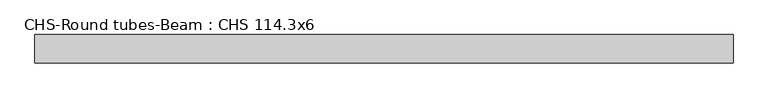
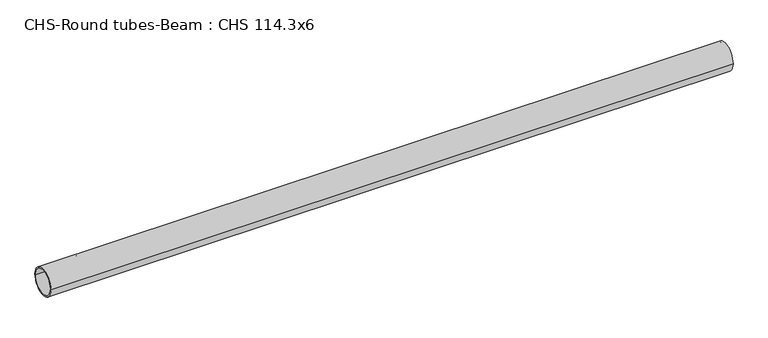
"""IFC4 building model written with IfcOpenShell, lengths in millimetres: beam geometry, CHS-Round tubes-Beam : CHS 114.3x6."""

import ifcopenshell
import ifcopenshell.guid

model = None  # the IFC model being written
_history = None  # IfcOwnerHistory: only IFC2X3 demands one
_inside = {}  # id of a spatial element -> (the spatial element, [elements in it])
_under = {}  # id of a project, library or spatial element -> (it, [spatial elements below it])
_declared = {}  # id of a project -> (the project, [libraries it declares])
_typed = {}  # id of a type object -> (the type object, [elements of that type])
_made_of = {}  # id of a material, layer set ... -> (it, [elements and type objects made of it])


def new_model(schema):
    """Start an empty IFC model of exactly this schema.

    Asked for "IFC4X3", IfcOpenShell would pick the latest addendum, in which some entities
    have other attributes; the version numbers below select the first issue.
    IFC2X3 requires an IfcOwnerHistory on every rooted entity: one is made here for all.
    """
    global model, _history
    if schema == "IFC4X3":
        model = ifcopenshell.file(schema_version=(4, 3, 0, 0))
    else:
        model = ifcopenshell.file(schema=schema)
    _inside.clear()
    _under.clear()
    _declared.clear()
    _typed.clear()
    _made_of.clear()
    _history = None
    if model.schema == "IFC2X3":
        org = make("IfcOrganization", Name="unknown")
        user = make(
            "IfcPersonAndOrganization",
            ThePerson=make("IfcPerson", FamilyName="unknown"),
            TheOrganization=org,
        )
        app = make(
            "IfcApplication",
            ApplicationDeveloper=org,
            Version="unknown",
            ApplicationFullName="unknown",
            ApplicationIdentifier="unknown",
        )
        _history = make(
            "IfcOwnerHistory",
            OwningUser=user,
            OwningApplication=app,
            ChangeAction="ADDED",
            CreationDate=0,
        )
    return model


def make(cls, **values):
    """One entity of the class cls with the attributes given. An attribute that is None is left unset."""
    return model.create_entity(
        cls, **{name: value for name, value in values.items() if value is not None}
    )


def rooted(cls, **values):
    """An entity with a GlobalId (a new one), such as an element, a storey or a relation."""
    return make(cls, GlobalId=ifcopenshell.guid.new(), OwnerHistory=_history, **values)


def si_unit(unit_type, name, prefix=None):
    """IfcSIUnit, for example si_unit("LENGTHUNIT", "METRE", prefix="MILLI")."""
    return make("IfcSIUnit", UnitType=unit_type, Prefix=prefix, Name=name)


def assignment(units):
    """IfcUnitAssignment: the units of a project."""
    return None if units is None else make("IfcUnitAssignment", Units=units)


def point(xyz):
    """IfcCartesianPoint."""
    return None if xyz is None else make("IfcCartesianPoint", Coordinates=xyz)


def direction(xyz):
    """IfcDirection."""
    return None if xyz is None else make("IfcDirection", DirectionRatios=xyz)


def frame(location, z_axis=None, x_axis=None):
    """IfcAxis2Placement3D, a coordinate frame: its origin and axes. An axis left out is left unset."""
    return make(
        "IfcAxis2Placement3D",
        Location=point(location),
        Axis=direction(z_axis),
        RefDirection=direction(x_axis),
    )


def frame_2d(location, x_axis=None):
    """IfcAxis2Placement2D, a coordinate frame in the plane: its origin and x axis."""
    return make(
        "IfcAxis2Placement2D", Location=point(location), RefDirection=direction(x_axis)
    )


def origin():
    """The frame at (0, 0, 0) with its axes left unset."""
    return frame((0.0, 0.0, 0.0))


def origin_2d():
    """The frame at (0, 0) in the plane with its x axis left unset."""
    return frame_2d((0.0, 0.0))


def place(relative_to, where):
    """IfcLocalPlacement: puts the frame where relative to a parent placement (None: the world)."""
    return make(
        "IfcLocalPlacement", PlacementRelTo=relative_to, RelativePlacement=where
    )


def context(
    kind, dimensions, precision=None, world=None, true_north=None, identifier=None
):
    """IfcGeometricRepresentationContext, for example the 3D "Model" context."""
    return make(
        "IfcGeometricRepresentationContext",
        ContextIdentifier=identifier,
        ContextType=kind,
        CoordinateSpaceDimension=dimensions,
        Precision=precision,
        WorldCoordinateSystem=world,
        TrueNorth=true_north,
    )


def project(units=None, contexts=None):
    """IfcProject with its units and contexts."""
    return rooted(
        "IfcProject",
        Name="project",
        RepresentationContexts=contexts,
        UnitsInContext=assignment(units),
    )


def spatial(cls, under=None, at=None, **own):
    """A site, building, storey or space (cls), placed at a placement, below another one or the project."""
    s = rooted(cls, ObjectPlacement=at, **own)
    if under is not None:
        _under.setdefault(under.id(), (under, []))[1].append(s)
    return s


def circle_curve(where, radius):
    """IfcCircle in the frame where."""
    return make("IfcCircle", Position=where, Radius=radius)


def trimmed(basis, trim1, trim2, sense, master):
    """IfcTrimmedCurve: the piece of a basis curve between two trims."""
    return make(
        "IfcTrimmedCurve",
        BasisCurve=basis,
        Trim1=trim1,
        Trim2=trim2,
        SenseAgreement=sense,
        MasterRepresentation=master,
    )


def segment(curve, same_sense, transition):
    """IfcCompositeCurveSegment."""
    return make(
        "IfcCompositeCurveSegment",
        Transition=transition,
        SameSense=same_sense,
        ParentCurve=curve,
    )


def composite_curve(segments, self_intersect=None):
    """IfcCompositeCurve: segments joined end to end."""
    return make("IfcCompositeCurve", Segments=segments, SelfIntersect=self_intersect)


def outline(outer, holes=None, kind="AREA"):
    """IfcArbitraryClosedProfileDef: a profile drawn as a closed curve; with holes, ...WithVoids."""
    if holes is None:
        return make("IfcArbitraryClosedProfileDef", ProfileType=kind, OuterCurve=outer)
    return make(
        "IfcArbitraryProfileDefWithVoids",
        ProfileType=kind,
        OuterCurve=outer,
        InnerCurves=holes,
    )


def extrude(swept, where, along, depth):
    """IfcExtrudedAreaSolid: the profile swept, set in the frame where, extruded along a direction by depth."""
    return make(
        "IfcExtrudedAreaSolid",
        SweptArea=swept,
        Position=where,
        ExtrudedDirection=direction(along),
        Depth=depth,
    )


def shape(context_of_items, identifier, shape_type, items):
    """IfcShapeRepresentation: the items that make up one representation, for example the "Body"."""
    return make(
        "IfcShapeRepresentation",
        ContextOfItems=context_of_items,
        RepresentationIdentifier=identifier,
        RepresentationType=shape_type,
        Items=items,
    )


def source(mapping_origin, context_of_items, identifier, shape_type, items):
    """IfcRepresentationMap: a shape defined once, which mapped items show again and again."""
    return make(
        "IfcRepresentationMap",
        MappingOrigin=mapping_origin,
        MappedRepresentation=shape(context_of_items, identifier, shape_type, items),
    )


def transform(
    local_origin,
    x_axis=None,
    y_axis=None,
    z_axis=None,
    scale=None,
    scale2=None,
    scale3=None,
    uniform=True,
):
    """IfcCartesianTransformationOperator3D, or its non-uniform kind. x_axis, y_axis, z_axis: its Axis1, 2, 3."""
    if uniform:
        return make(
            "IfcCartesianTransformationOperator3D",
            Axis1=direction(x_axis),
            Axis2=direction(y_axis),
            LocalOrigin=point(local_origin),
            Scale=scale,
            Axis3=direction(z_axis),
        )
    return make(
        "IfcCartesianTransformationOperator3DnonUniform",
        Axis1=direction(x_axis),
        Axis2=direction(y_axis),
        LocalOrigin=point(local_origin),
        Scale=scale,
        Axis3=direction(z_axis),
        Scale2=scale2,
        Scale3=scale3,
    )


def mapped(mapping_source, mapping_target):
    """IfcMappedItem: shows the shape of a source again, moved by a transform."""
    return make(
        "IfcMappedItem", MappingSource=mapping_source, MappingTarget=mapping_target
    )


def made_of(thing, what):
    """Note that an element or type object is made of a material, layer set ...; save() writes the relation."""
    if what is not None:
        _made_of.setdefault(what.id(), (what, []))[1].append(thing)
    return thing


def element(
    cls,
    number,
    at=None,
    inside=None,
    cuts=None,
    type_object=None,
    material=None,
    context=None,
    identifier="Body",
    shape_type=None,
    held_by="IfcProductDefinitionShape",
    body=None,
    shapes=None,
    **own,
):
    """One element of the class cls, such as IfcWall. Its Tag is "e" and its number.

    at: its placement. inside: the storey or other place that contains it. cuts: it is an
    opening in that element (IfcRelVoidsElement). A single representation is given by context,
    identifier, shape_type and body (its items); several are given by shapes. held_by: the class
    of the entity that holds the representations. save() writes the other relations.
    """
    e = rooted(cls, Tag="e%d" % number, ObjectPlacement=at, **own)
    if body is not None:
        shapes = [shape(context, identifier, shape_type, body)]
    if shapes is not None:
        e.Representation = make(held_by, Representations=shapes)
    if inside is not None:
        _inside.setdefault(inside.id(), (inside, []))[1].append(e)
    if cuts is not None:
        rooted(
            "IfcRelVoidsElement", RelatingBuildingElement=cuts, RelatedOpeningElement=e
        )
    if type_object is not None:
        _typed.setdefault(type_object.id(), (type_object, []))[1].append(e)
    return made_of(e, material)


def aggregate(whole, parts):
    """IfcRelAggregates: a whole, such as a stair, and the parts it consists of."""
    return rooted("IfcRelAggregates", RelatingObject=whole, RelatedObjects=parts)


def save(model, path):
    """Write the relations noted so far, then the file.

    IfcRelAggregates (storeys below a building ...), IfcRelContainedInSpatialStructure (elements
    in a storey), IfcRelDefinesByType, IfcRelAssociatesMaterial and IfcRelDeclares: one each for
    every whole, place, type object, material and project.
    """
    for whole, parts in _under.values():
        aggregate(whole, parts)
    for where, things in _inside.values():
        rooted(
            "IfcRelContainedInSpatialStructure",
            RelatedElements=things,
            RelatingStructure=where,
        )
    for kind, things in _typed.values():
        rooted("IfcRelDefinesByType", RelatedObjects=things, RelatingType=kind)
    for what, things in _made_of.values():
        rooted("IfcRelAssociatesMaterial", RelatedObjects=things, RelatingMaterial=what)
    for by, libraries in _declared.values():
        rooted("IfcRelDeclares", RelatingContext=by, RelatedDefinitions=libraries)
    model.write(path)


def chs_round_tubes_beam_chs_114_3x6_acd0292b(model_context):
    return source(origin(), model_context, "Body", "SweptSolid", [
        extrude(outline(composite_curve([segment(trimmed(circle_curve(origin_2d(), 57.15), [point((57.15, 0.0))], [point((-57.15, 0.0))], False, "CARTESIAN"), True, "CONTINUOUS"), segment(trimmed(circle_curve(origin_2d(), 57.15), [point((-57.15, 0.0))], [point((57.15, 0.0))], False, "CARTESIAN"), True, "CONTINUOUS")], self_intersect=False), holes=[composite_curve([segment(trimmed(circle_curve(origin_2d(), 51.15), [point((51.15, 0.0))], [point((-51.15, 0.0))], True, "CARTESIAN"), True, "CONTINUOUS"), segment(trimmed(circle_curve(origin_2d(), 51.15), [point((-51.15, 0.0))], [point((51.15, 0.0))], True, "CARTESIAN"), True, "CONTINUOUS")], self_intersect=False)]), frame((-1399.9595419, 0.0, 0.0), z_axis=(1.0, 0.0, 0.0), x_axis=(0.0, 1.0, 0.0)), (0.0, 0.0, 1.0), 2821.0577174),
    ])


if __name__ == "__main__":
    model = new_model("IFC4")
    model_context = context("Model", 3, world=origin())
    ifc_project = project(units=[si_unit("LENGTHUNIT", "METRE", prefix="MILLI")], contexts=[model_context])
    site = spatial("IfcSite", under=ifc_project)
    building = spatial("IfcBuilding", under=site)
    placement = place(None, origin())
    chs_round_tubes_beam_chs_114_3x6_shape = chs_round_tubes_beam_chs_114_3x6_acd0292b(model_context)
    element("IfcBeam", 1, ObjectType="CHS-Round tubes-Beam : CHS 114.3x6", at=placement, inside=building, context=model_context, shape_type="MappedRepresentation", body=[
        mapped(chs_round_tubes_beam_chs_114_3x6_shape, transform((0.0, 0.0, 0.0), x_axis=(1.0, 0.0, 0.0), y_axis=(0.0, 1.0, 0.0), z_axis=(0.0, 0.0, 1.0))),
    ])
    save(model, "model.ifc")
